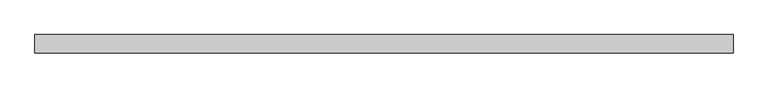
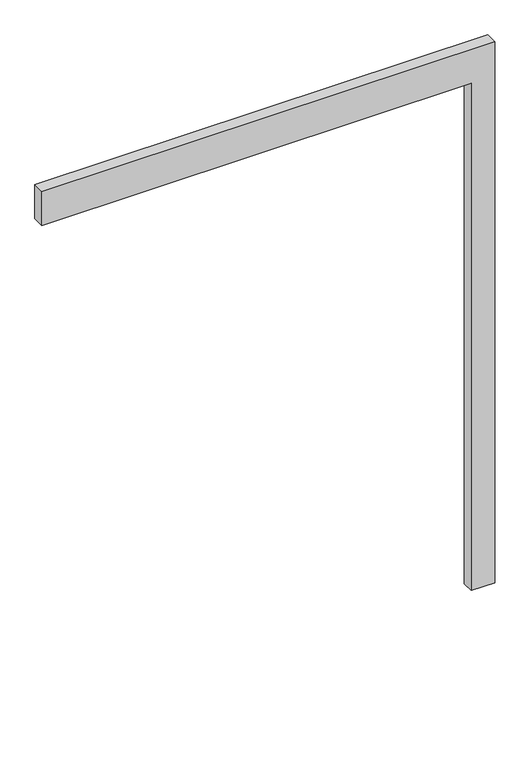
"""IFC4 building model written with IfcOpenShell, lengths in millimetres: proxy geometry."""

import ifcopenshell
import ifcopenshell.guid

model = None  # the IFC model being written
_history = None  # IfcOwnerHistory: only IFC2X3 demands one
_inside = {}  # id of a spatial element -> (the spatial element, [elements in it])
_under = {}  # id of a project, library or spatial element -> (it, [spatial elements below it])
_declared = {}  # id of a project -> (the project, [libraries it declares])
_typed = {}  # id of a type object -> (the type object, [elements of that type])
_made_of = {}  # id of a material, layer set ... -> (it, [elements and type objects made of it])


def new_model(schema):
    """Start an empty IFC model of exactly this schema.

    Asked for "IFC4X3", IfcOpenShell would pick the latest addendum, in which some entities
    have other attributes; the version numbers below select the first issue.
    IFC2X3 requires an IfcOwnerHistory on every rooted entity: one is made here for all.
    """
    global model, _history
    if schema == "IFC4X3":
        model = ifcopenshell.file(schema_version=(4, 3, 0, 0))
    else:
        model = ifcopenshell.file(schema=schema)
    _inside.clear()
    _under.clear()
    _declared.clear()
    _typed.clear()
    _made_of.clear()
    _history = None
    if model.schema == "IFC2X3":
        org = make("IfcOrganization", Name="unknown")
        user = make(
            "IfcPersonAndOrganization",
            ThePerson=make("IfcPerson", FamilyName="unknown"),
            TheOrganization=org,
        )
        app = make(
            "IfcApplication",
            ApplicationDeveloper=org,
            Version="unknown",
            ApplicationFullName="unknown",
            ApplicationIdentifier="unknown",
        )
        _history = make(
            "IfcOwnerHistory",
            OwningUser=user,
            OwningApplication=app,
            ChangeAction="ADDED",
            CreationDate=0,
        )
    return model


def make(cls, **values):
    """One entity of the class cls with the attributes given. An attribute that is None is left unset."""
    return model.create_entity(
        cls, **{name: value for name, value in values.items() if value is not None}
    )


def rooted(cls, **values):
    """An entity with a GlobalId (a new one), such as an element, a storey or a relation."""
    return make(cls, GlobalId=ifcopenshell.guid.new(), OwnerHistory=_history, **values)


def si_unit(unit_type, name, prefix=None):
    """IfcSIUnit, for example si_unit("LENGTHUNIT", "METRE", prefix="MILLI")."""
    return make("IfcSIUnit", UnitType=unit_type, Prefix=prefix, Name=name)


def assignment(units):
    """IfcUnitAssignment: the units of a project."""
    return None if units is None else make("IfcUnitAssignment", Units=units)


def point(xyz):
    """IfcCartesianPoint."""
    return None if xyz is None else make("IfcCartesianPoint", Coordinates=xyz)


def direction(xyz):
    """IfcDirection."""
    return None if xyz is None else make("IfcDirection", DirectionRatios=xyz)


def frame(location, z_axis=None, x_axis=None):
    """IfcAxis2Placement3D, a coordinate frame: its origin and axes. An axis left out is left unset."""
    return make(
        "IfcAxis2Placement3D",
        Location=point(location),
        Axis=direction(z_axis),
        RefDirection=direction(x_axis),
    )


def origin():
    """The frame at (0, 0, 0) with its axes left unset."""
    return frame((0.0, 0.0, 0.0))


def place(relative_to, where):
    """IfcLocalPlacement: puts the frame where relative to a parent placement (None: the world)."""
    return make(
        "IfcLocalPlacement", PlacementRelTo=relative_to, RelativePlacement=where
    )


def context(
    kind, dimensions, precision=None, world=None, true_north=None, identifier=None
):
    """IfcGeometricRepresentationContext, for example the 3D "Model" context."""
    return make(
        "IfcGeometricRepresentationContext",
        ContextIdentifier=identifier,
        ContextType=kind,
        CoordinateSpaceDimension=dimensions,
        Precision=precision,
        WorldCoordinateSystem=world,
        TrueNorth=true_north,
    )


def project(units=None, contexts=None):
    """IfcProject with its units and contexts."""
    return rooted(
        "IfcProject",
        Name="project",
        RepresentationContexts=contexts,
        UnitsInContext=assignment(units),
    )


def spatial(cls, under=None, at=None, **own):
    """A site, building, storey or space (cls), placed at a placement, below another one or the project."""
    s = rooted(cls, ObjectPlacement=at, **own)
    if under is not None:
        _under.setdefault(under.id(), (under, []))[1].append(s)
    return s


def polyline(points):
    """IfcPolyline through the points."""
    return make("IfcPolyline", Points=[point(p) for p in points])


def outline(outer, holes=None, kind="AREA"):
    """IfcArbitraryClosedProfileDef: a profile drawn as a closed curve; with holes, ...WithVoids."""
    if holes is None:
        return make("IfcArbitraryClosedProfileDef", ProfileType=kind, OuterCurve=outer)
    return make(
        "IfcArbitraryProfileDefWithVoids",
        ProfileType=kind,
        OuterCurve=outer,
        InnerCurves=holes,
    )


def extrude(swept, where, along, depth):
    """IfcExtrudedAreaSolid: the profile swept, set in the frame where, extruded along a direction by depth."""
    return make(
        "IfcExtrudedAreaSolid",
        SweptArea=swept,
        Position=where,
        ExtrudedDirection=direction(along),
        Depth=depth,
    )


def shape(context_of_items, identifier, shape_type, items):
    """IfcShapeRepresentation: the items that make up one representation, for example the "Body"."""
    return make(
        "IfcShapeRepresentation",
        ContextOfItems=context_of_items,
        RepresentationIdentifier=identifier,
        RepresentationType=shape_type,
        Items=items,
    )


def source(mapping_origin, context_of_items, identifier, shape_type, items):
    """IfcRepresentationMap: a shape defined once, which mapped items show again and again."""
    return make(
        "IfcRepresentationMap",
        MappingOrigin=mapping_origin,
        MappedRepresentation=shape(context_of_items, identifier, shape_type, items),
    )


def transform(
    local_origin,
    x_axis=None,
    y_axis=None,
    z_axis=None,
    scale=None,
    scale2=None,
    scale3=None,
    uniform=True,
):
    """IfcCartesianTransformationOperator3D, or its non-uniform kind. x_axis, y_axis, z_axis: its Axis1, 2, 3."""
    if uniform:
        return make(
            "IfcCartesianTransformationOperator3D",
            Axis1=direction(x_axis),
            Axis2=direction(y_axis),
            LocalOrigin=point(local_origin),
            Scale=scale,
            Axis3=direction(z_axis),
        )
    return make(
        "IfcCartesianTransformationOperator3DnonUniform",
        Axis1=direction(x_axis),
        Axis2=direction(y_axis),
        LocalOrigin=point(local_origin),
        Scale=scale,
        Axis3=direction(z_axis),
        Scale2=scale2,
        Scale3=scale3,
    )


def mapped(mapping_source, mapping_target):
    """IfcMappedItem: shows the shape of a source again, moved by a transform."""
    return make(
        "IfcMappedItem", MappingSource=mapping_source, MappingTarget=mapping_target
    )


def made_of(thing, what):
    """Note that an element or type object is made of a material, layer set ...; save() writes the relation."""
    if what is not None:
        _made_of.setdefault(what.id(), (what, []))[1].append(thing)
    return thing


def element(
    cls,
    number,
    at=None,
    inside=None,
    cuts=None,
    type_object=None,
    material=None,
    context=None,
    identifier="Body",
    shape_type=None,
    held_by="IfcProductDefinitionShape",
    body=None,
    shapes=None,
    **own,
):
    """One element of the class cls, such as IfcWall. Its Tag is "e" and its number.

    at: its placement. inside: the storey or other place that contains it. cuts: it is an
    opening in that element (IfcRelVoidsElement). A single representation is given by context,
    identifier, shape_type and body (its items); several are given by shapes. held_by: the class
    of the entity that holds the representations. save() writes the other relations.
    """
    e = rooted(cls, Tag="e%d" % number, ObjectPlacement=at, **own)
    if body is not None:
        shapes = [shape(context, identifier, shape_type, body)]
    if shapes is not None:
        e.Representation = make(held_by, Representations=shapes)
    if inside is not None:
        _inside.setdefault(inside.id(), (inside, []))[1].append(e)
    if cuts is not None:
        rooted(
            "IfcRelVoidsElement", RelatingBuildingElement=cuts, RelatedOpeningElement=e
        )
    if type_object is not None:
        _typed.setdefault(type_object.id(), (type_object, []))[1].append(e)
    return made_of(e, material)


def aggregate(whole, parts):
    """IfcRelAggregates: a whole, such as a stair, and the parts it consists of."""
    return rooted("IfcRelAggregates", RelatingObject=whole, RelatedObjects=parts)


def save(model, path):
    """Write the relations noted so far, then the file.

    IfcRelAggregates (storeys below a building ...), IfcRelContainedInSpatialStructure (elements
    in a storey), IfcRelDefinesByType, IfcRelAssociatesMaterial and IfcRelDeclares: one each for
    every whole, place, type object, material and project.
    """
    for whole, parts in _under.values():
        aggregate(whole, parts)
    for where, things in _inside.values():
        rooted(
            "IfcRelContainedInSpatialStructure",
            RelatedElements=things,
            RelatingStructure=where,
        )
    for kind, things in _typed.values():
        rooted("IfcRelDefinesByType", RelatedObjects=things, RelatingType=kind)
    for what, things in _made_of.values():
        rooted("IfcRelAssociatesMaterial", RelatedObjects=things, RelatingMaterial=what)
    for by, libraries in _declared.values():
        rooted("IfcRelDeclares", RelatingContext=by, RelatedDefinitions=libraries)
    model.write(path)


def generic_models_eab4249f(model_context):
    return source(origin(), model_context, "Body", "SweptSolid", [
        extrude(outline(polyline([(2250.0, -1800.0), (2250.0, 0.0), (0.0, 0.0), (0.0, 100.0), (2400.0, 100.0), (2400.0, -1800.0), (2250.0, -1800.0)])), frame((0.0, -50.0, 0.0), z_axis=(0.0, 1.0, 0.0), x_axis=(0.0, 0.0, 1.0)), (0.0, 0.0, 1.0), 50.0),
    ])


if __name__ == "__main__":
    model = new_model("IFC4")
    model_context = context("Model", 3, world=origin())
    ifc_project = project(units=[si_unit("LENGTHUNIT", "METRE", prefix="MILLI")], contexts=[model_context])
    site = spatial("IfcSite", under=ifc_project)
    building = spatial("IfcBuilding", under=site)
    placement = place(None, origin())
    generic_models_shape = generic_models_eab4249f(model_context)
    element("IfcBuildingElementProxy", 1, Name="Generic Models", at=placement, inside=building, context=model_context, shape_type="MappedRepresentation", body=[
        mapped(generic_models_shape, transform((0.0, 0.0, 0.0), x_axis=(1.0, 0.0, 0.0), y_axis=(0.0, 1.0, 0.0), z_axis=(0.0, 0.0, 1.0))),
    ])
    save(model, "model.ifc")
